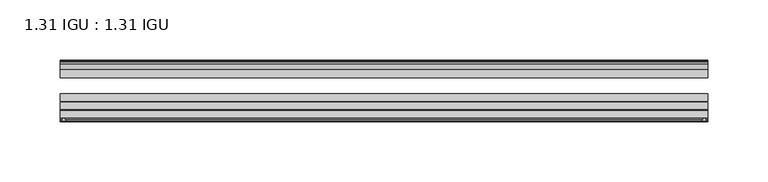
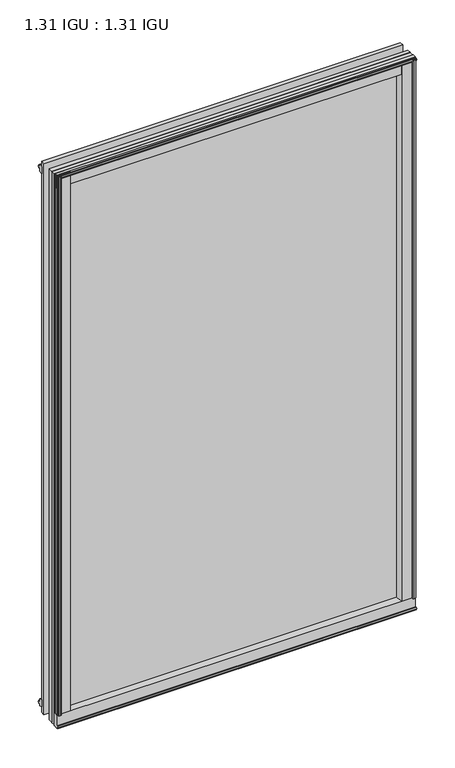
"""IFC4 building model written with IfcOpenShell, lengths in millimetres: plate geometry, 1.31 IGU : 1.31 IGU."""

from ifc_helpers import new_model, si_unit, point, frame, frame_2d, origin, origin_with_axes, place, context, project, spatial, polyline, circle_curve, trimmed, segment, composite_curve, outline, extrude, source, transform, mapped, element, save


def plate_1_31_igu_1_31_igu_c55ada4e(model_context):
    return source(origin(), model_context, "Body", "SweptSolid", [
        extrude(outline(composite_curve([segment(polyline([(265.1087156, -57.6333938), (248.9239687, -57.6333938)]), True, "CONTINUOUS"), segment(trimmed(circle_curve(frame_2d((241.6292396, -57.6547678)), 7.2947605), [point((248.9239687, -57.6333938))], [point((245.1815801, -51.2833938))], True, "CARTESIAN"), True, "CONTINUOUS"), segment(polyline([(245.1815801, -51.2833938), (268.052001, -51.2833938)]), True, "CONTINUOUS"), segment(trimmed(circle_curve(frame_2d((268.052001, -52.0707938)), 0.7874), [point((268.052001, -51.2833938))], [point((268.8335319, -51.9748338))], False, "CARTESIAN"), True, "CONTINUOUS"), segment(polyline([(268.8335319, -51.9748338), (269.5283156, -57.6333938), (267.5979156, -57.6333938), (267.1407156, -59.624458), (268.1420775, -59.3561439), (268.3853156, -60.263921), (266.3533156, -60.8083938), (264.3213156, -60.263921), (264.5645538, -59.3561439), (265.5659156, -59.624458), (265.1087156, -57.6333938)]), True, "CONTINUOUS")], self_intersect=False)), origin_with_axes(), (0.0, 0.0, 1.0), 857.25),
        extrude(outline(composite_curve([segment(polyline([(-249.221625, -57.6333937), (-265.4063719, -57.6333937), (-265.8635719, -59.624458), (-264.86221, -59.3561439), (-264.6189719, -60.263921), (-266.6509719, -60.8083937), (-268.6829719, -60.263921), (-268.4397338, -59.3561439), (-267.4383719, -59.624458), (-267.8955719, -57.6333937), (-269.8259719, -57.6333937), (-269.1311881, -51.9748338)]), True, "CONTINUOUS"), segment(trimmed(circle_curve(frame_2d((-268.3496573, -52.0707937)), 0.7874), [point((-269.1311881, -51.9748338))], [point((-268.3496573, -51.2833937))], False, "CARTESIAN"), True, "CONTINUOUS"), segment(polyline([(-268.3496573, -51.2833937), (-245.4792364, -51.2833937)]), True, "CONTINUOUS"), segment(trimmed(circle_curve(frame_2d((-241.9268958, -57.6547678)), 7.2947605), [point((-245.4792364, -51.2833937))], [point((-249.221625, -57.6333937))], True, "CARTESIAN"), True, "CONTINUOUS")], self_intersect=False)), origin_with_axes(), (0.0, 0.0, 1.0), 857.25),
        extrude(outline(polyline([(-9.7543937, -6.8579998), (-10.4009552, -9.2709998), (-11.2596632, -9.0409097), (-10.8839895, -7.6388763), (-13.1833937, -8.3819998), (-13.1833937, -11.7850089), (-17.9585937, -10.1533914), (-17.9585937, 0.6595133), (-13.1833937, -0.5079998), (-13.1833937, -5.4609998), (-10.8839895, -6.0771233), (-11.2596632, -4.6750899), (-10.4009552, -4.4449998), (-9.7543937, -6.8579998)])), frame((-269.859125, 0.0, 0.0), z_axis=(1.0, 0.0, 0.0), x_axis=(0.0, 1.0, 0.0)), (0.0, 0.0, 1.0), 539.4205937),
        extrude(outline(composite_curve([segment(polyline([(-51.9748338, -19.930016), (-57.6333937, -20.6247998), (-57.6333937, -18.6943998), (-59.624458, -18.2371998), (-59.3561439, -19.2385617), (-60.263921, -19.4817998), (-60.8083937, -17.4497998), (-60.263921, -15.4177998), (-59.3561439, -15.6610379), (-59.624458, -16.6623998), (-57.6333937, -16.2051998), (-57.6333937, 0.0127002)]), True, "CONTINUOUS"), segment(trimmed(circle_curve(frame_2d((-58.1588233, 7.9620141)), 7.9666598), [point((-57.6333937, 0.0127002))], [point((-51.2833937, 3.9375717))], True, "CARTESIAN"), True, "CONTINUOUS"), segment(polyline([(-51.2833937, 3.9375717), (-51.2833937, -19.1484852)]), True, "CONTINUOUS"), segment(trimmed(circle_curve(frame_2d((-52.0707937, -19.1484852)), 0.7874), [point((-51.2833937, -19.1484852))], [point((-51.9748338, -19.930016))], False, "CARTESIAN"), True, "CONTINUOUS")], self_intersect=False)), frame((-269.859125, 0.0, 0.0), z_axis=(1.0, 0.0, 0.0), x_axis=(0.0, 1.0, 0.0)), (0.0, 0.0, 1.0), 539.4205937),
        extrude(outline(polyline([(-17.9585937, 848.3533914), (-13.1833937, 849.9850089), (-13.1833937, 846.5819998), (-10.8839895, 845.8388763), (-11.2596632, 847.2409097), (-10.4009552, 847.4709998), (-9.7543937, 845.0579998), (-10.4009552, 842.6449998), (-11.2596632, 842.8750899), (-10.8839895, 844.2771233), (-13.1833937, 843.6609998), (-13.1833937, 838.7079998), (-17.9585937, 837.5404867), (-17.9585937, 848.3533914)])), frame((-269.859125, 0.0, 0.0), z_axis=(1.0, 0.0, 0.0), x_axis=(0.0, 1.0, 0.0)), (0.0, 0.0, 1.0), 539.4205937),
        extrude(outline(composite_curve([segment(trimmed(circle_curve(frame_2d((-52.0707937, 857.3484852)), 0.7874), [point((-51.9748338, 858.130016))], [point((-51.2833937, 857.3484852))], False, "CARTESIAN"), True, "CONTINUOUS"), segment(polyline([(-51.2833937, 857.3484852), (-51.2833937, 834.2624283)]), True, "CONTINUOUS"), segment(trimmed(circle_curve(frame_2d((-58.1588233, 830.2379859)), 7.9666598), [point((-51.2833937, 834.2624283))], [point((-57.6333937, 838.1872998))], True, "CARTESIAN"), True, "CONTINUOUS"), segment(polyline([(-57.6333937, 838.1872998), (-57.6333937, 854.4051998), (-59.624458, 854.8623998), (-59.3561439, 853.8610379), (-60.263921, 853.6177998), (-60.8083937, 855.6497998), (-60.263921, 857.6817998), (-59.3561439, 857.4385617), (-59.624458, 856.4371998), (-57.6333937, 856.8943998), (-57.6333937, 858.8247998), (-51.9748338, 858.130016)]), True, "CONTINUOUS")], self_intersect=False)), frame((-269.859125, 0.0, 0.0), z_axis=(1.0, 0.0, 0.0), x_axis=(0.0, 1.0, 0.0)), (0.0, 0.0, 1.0), 539.4205937),
        extrude(outline(polyline([(-258.4480013, -10.8839895), (-259.8500347, -11.2596632), (-260.0801248, -10.4009552), (-257.6671248, -9.7543937), (-255.2541248, -10.4009552), (-255.4842149, -11.2596632), (-256.8862483, -10.8839895), (-256.2701248, -13.1833937), (-251.3171248, -13.1833937), (-250.1496117, -17.9585937), (-260.9625164, -17.9585937), (-262.5941339, -13.1833937), (-259.1911248, -13.1833937), (-258.4480013, -10.8839895)])), origin_with_axes(), (0.0, 0.0, 1.0), 838.2),
        extrude(outline(polyline([(258.4607015, -10.8839895), (259.203825, -13.1833937), (262.6068341, -13.1833937), (260.9752166, -17.9585937), (250.1623119, -17.9585937), (251.329825, -13.1833937), (256.282825, -13.1833937), (256.8989485, -10.8839895), (255.4969151, -11.2596632), (255.266825, -10.4009552), (257.679825, -9.7543937), (260.092825, -10.4009552), (259.8627349, -11.2596632), (258.4607015, -10.8839895)])), origin_with_axes(), (0.0, 0.0, 1.0), 838.2),
        extrude(outline(polyline([(269.5614687, -17.9585937), (269.5614687, -24.3085937), (-269.859125, -24.3085937), (-269.859125, -17.9585937), (269.5614687, -17.9585937)])), frame((0.0, 0.0, -19.0372998), z_axis=(0.0, 0.0, 1.0), x_axis=(1.0, 0.0, 0.0)), (0.0, 0.0, 1.0), 876.2872998),
        extrude(outline(polyline([(-269.859125, -44.1459937), (-269.859125, -37.7959937), (269.5614687, -37.7959937), (269.5614687, -44.1459937), (-269.859125, -44.1459937)])), frame((0.0, 0.0, -19.0372998), z_axis=(0.0, 0.0, 1.0), x_axis=(1.0, 0.0, 0.0)), (0.0, 0.0, 1.0), 876.2872998),
        extrude(outline(polyline([(-269.859125, -51.2833937), (-269.859125, -44.9333937), (269.5614687, -44.9333937), (269.5614687, -51.2833937), (-269.859125, -51.2833937)])), frame((0.0, 0.0, -19.0372998), z_axis=(0.0, 0.0, 1.0), x_axis=(1.0, 0.0, 0.0)), (0.0, 0.0, 1.0), 876.2872998),
    ])


if __name__ == "__main__":
    model = new_model("IFC4")
    model_context = context("Model", 3, world=origin())
    ifc_project = project(units=[si_unit("LENGTHUNIT", "METRE", prefix="MILLI")], contexts=[model_context])
    site = spatial("IfcSite", under=ifc_project)
    building = spatial("IfcBuilding", under=site)
    placement = place(None, origin())
    plate_1_31_igu_1_31_igu_shape = plate_1_31_igu_1_31_igu_c55ada4e(model_context)
    element("IfcPlate", 1, ObjectType="1.31 IGU : 1.31 IGU", at=placement, inside=building, context=model_context, shape_type="MappedRepresentation", body=[
        mapped(plate_1_31_igu_1_31_igu_shape, transform((0.0, 0.0, 0.0), x_axis=(1.0, 0.0, 0.0), y_axis=(0.0, 1.0, 0.0), z_axis=(0.0, 0.0, 1.0))),
    ])
    save(model, "model.ifc")
